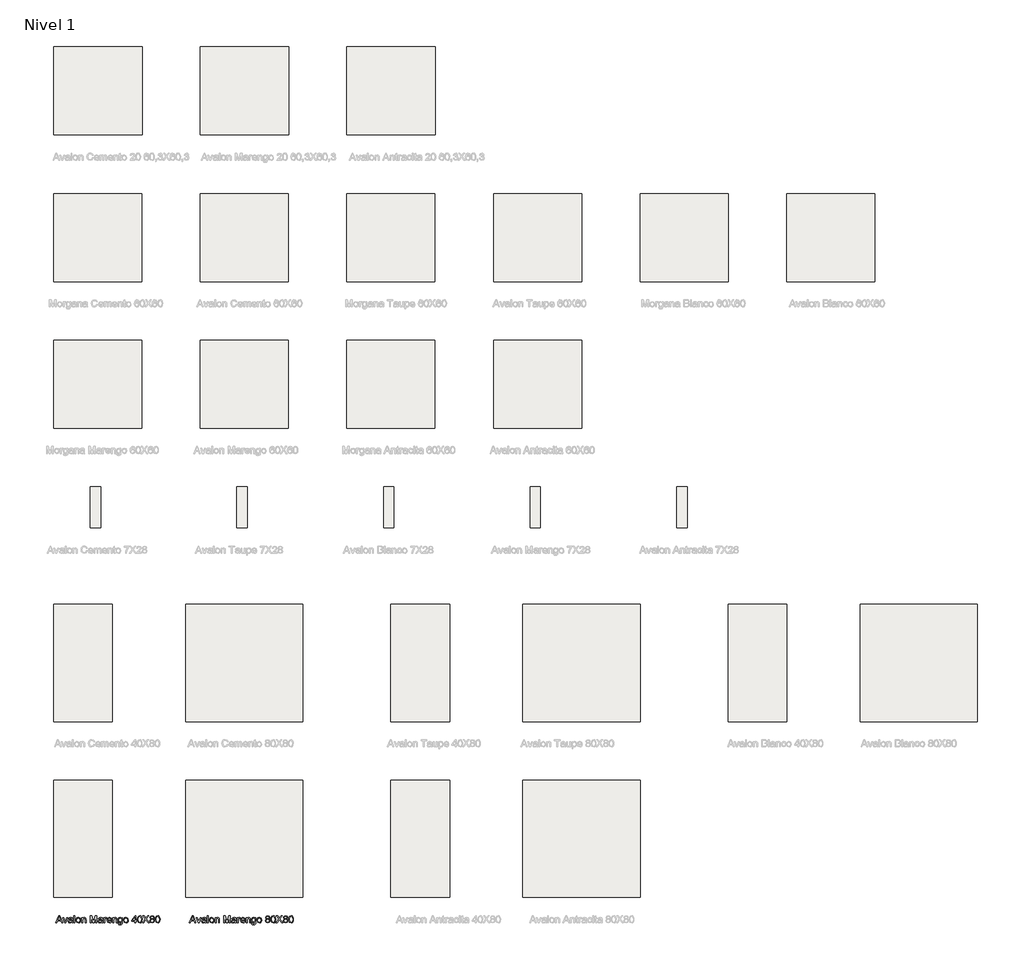
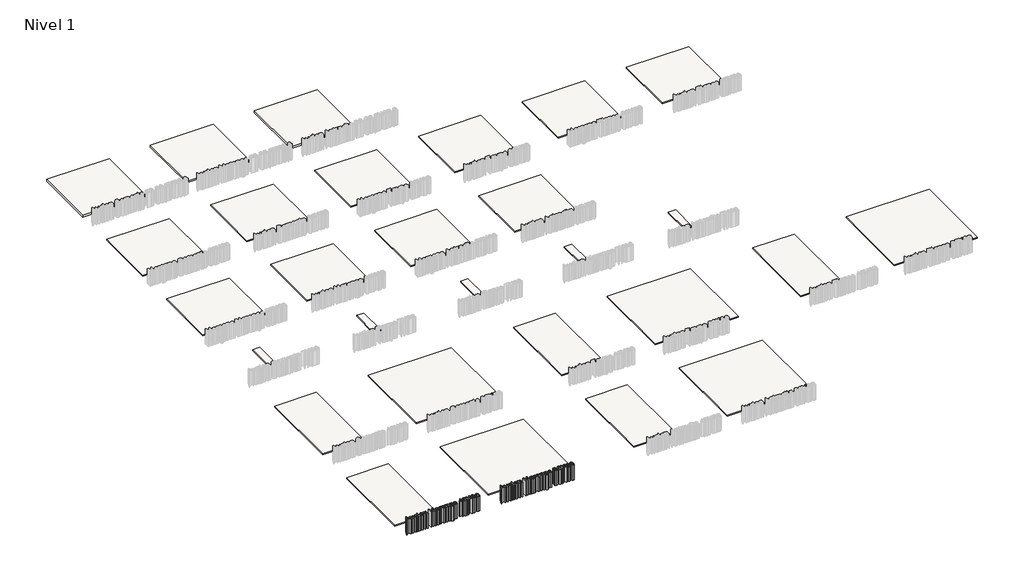
# One storey, part 1 of 11: 28 slabs, 2 proxies.
"""IFC4 building model written with IfcOpenShell, lengths in millimetres."""

import ifcopenshell
import ifcopenshell.guid

model = None  # the IFC model being written
_history = None  # IfcOwnerHistory: only IFC2X3 demands one
_inside = {}  # id of a spatial element -> (the spatial element, [elements in it])
_under = {}  # id of a project, library or spatial element -> (it, [spatial elements below it])
_declared = {}  # id of a project -> (the project, [libraries it declares])
_typed = {}  # id of a type object -> (the type object, [elements of that type])
_made_of = {}  # id of a material, layer set ... -> (it, [elements and type objects made of it])


def new_model(schema):
    """Start an empty IFC model of exactly this schema.

    Asked for "IFC4X3", IfcOpenShell would pick the latest addendum, in which some entities
    have other attributes; the version numbers below select the first issue.
    IFC2X3 requires an IfcOwnerHistory on every rooted entity: one is made here for all.
    """
    global model, _history
    if schema == "IFC4X3":
        model = ifcopenshell.file(schema_version=(4, 3, 0, 0))
    else:
        model = ifcopenshell.file(schema=schema)
    _inside.clear()
    _under.clear()
    _declared.clear()
    _typed.clear()
    _made_of.clear()
    _history = None
    if model.schema == "IFC2X3":
        org = make("IfcOrganization", Name="unknown")
        user = make(
            "IfcPersonAndOrganization",
            ThePerson=make("IfcPerson", FamilyName="unknown"),
            TheOrganization=org,
        )
        app = make(
            "IfcApplication",
            ApplicationDeveloper=org,
            Version="unknown",
            ApplicationFullName="unknown",
            ApplicationIdentifier="unknown",
        )
        _history = make(
            "IfcOwnerHistory",
            OwningUser=user,
            OwningApplication=app,
            ChangeAction="ADDED",
            CreationDate=0,
        )
    return model


def make(cls, **values):
    """One entity of the class cls with the attributes given. An attribute that is None is left unset."""
    return model.create_entity(
        cls, **{name: value for name, value in values.items() if value is not None}
    )


def rooted(cls, **values):
    """An entity with a GlobalId (a new one), such as an element, a storey or a relation."""
    return make(cls, GlobalId=ifcopenshell.guid.new(), OwnerHistory=_history, **values)


def si_unit(unit_type, name, prefix=None):
    """IfcSIUnit, for example si_unit("LENGTHUNIT", "METRE", prefix="MILLI")."""
    return make("IfcSIUnit", UnitType=unit_type, Prefix=prefix, Name=name)


def assignment(units):
    """IfcUnitAssignment: the units of a project."""
    return None if units is None else make("IfcUnitAssignment", Units=units)


def point(xyz):
    """IfcCartesianPoint."""
    return None if xyz is None else make("IfcCartesianPoint", Coordinates=xyz)


def direction(xyz):
    """IfcDirection."""
    return None if xyz is None else make("IfcDirection", DirectionRatios=xyz)


def frame(location, z_axis=None, x_axis=None):
    """IfcAxis2Placement3D, a coordinate frame: its origin and axes. An axis left out is left unset."""
    return make(
        "IfcAxis2Placement3D",
        Location=point(location),
        Axis=direction(z_axis),
        RefDirection=direction(x_axis),
    )


def origin():
    """The frame at (0, 0, 0) with its axes left unset."""
    return frame((0.0, 0.0, 0.0))


def origin_with_axes():
    """The frame at (0, 0, 0) with the z axis (0, 0, 1) and the x axis (1, 0, 0) written out."""
    return frame((0.0, 0.0, 0.0), z_axis=(0.0, 0.0, 1.0), x_axis=(1.0, 0.0, 0.0))


def place(relative_to, where):
    """IfcLocalPlacement: puts the frame where relative to a parent placement (None: the world)."""
    return make(
        "IfcLocalPlacement", PlacementRelTo=relative_to, RelativePlacement=where
    )


def context(
    kind, dimensions, precision=None, world=None, true_north=None, identifier=None
):
    """IfcGeometricRepresentationContext, for example the 3D "Model" context."""
    return make(
        "IfcGeometricRepresentationContext",
        ContextIdentifier=identifier,
        ContextType=kind,
        CoordinateSpaceDimension=dimensions,
        Precision=precision,
        WorldCoordinateSystem=world,
        TrueNorth=true_north,
    )


def project(units=None, contexts=None):
    """IfcProject with its units and contexts."""
    return rooted(
        "IfcProject",
        Name="project",
        RepresentationContexts=contexts,
        UnitsInContext=assignment(units),
    )


def spatial(cls, under=None, at=None, **own):
    """A site, building, storey or space (cls), placed at a placement, below another one or the project."""
    s = rooted(cls, ObjectPlacement=at, **own)
    if under is not None:
        _under.setdefault(under.id(), (under, []))[1].append(s)
    return s


def polyline(points):
    """IfcPolyline through the points."""
    return make("IfcPolyline", Points=[point(p) for p in points])


def outline(outer, holes=None, kind="AREA"):
    """IfcArbitraryClosedProfileDef: a profile drawn as a closed curve; with holes, ...WithVoids."""
    if holes is None:
        return make("IfcArbitraryClosedProfileDef", ProfileType=kind, OuterCurve=outer)
    return make(
        "IfcArbitraryProfileDefWithVoids",
        ProfileType=kind,
        OuterCurve=outer,
        InnerCurves=holes,
    )


def extrude(swept, where, along, depth):
    """IfcExtrudedAreaSolid: the profile swept, set in the frame where, extruded along a direction by depth."""
    return make(
        "IfcExtrudedAreaSolid",
        SweptArea=swept,
        Position=where,
        ExtrudedDirection=direction(along),
        Depth=depth,
    )


def shape(context_of_items, identifier, shape_type, items):
    """IfcShapeRepresentation: the items that make up one representation, for example the "Body"."""
    return make(
        "IfcShapeRepresentation",
        ContextOfItems=context_of_items,
        RepresentationIdentifier=identifier,
        RepresentationType=shape_type,
        Items=items,
    )


def made_of(thing, what):
    """Note that an element or type object is made of a material, layer set ...; save() writes the relation."""
    if what is not None:
        _made_of.setdefault(what.id(), (what, []))[1].append(thing)
    return thing


def element(
    cls,
    number,
    at=None,
    inside=None,
    cuts=None,
    type_object=None,
    material=None,
    context=None,
    identifier="Body",
    shape_type=None,
    held_by="IfcProductDefinitionShape",
    body=None,
    shapes=None,
    **own,
):
    """One element of the class cls, such as IfcWall. Its Tag is "e" and its number.

    at: its placement. inside: the storey or other place that contains it. cuts: it is an
    opening in that element (IfcRelVoidsElement). A single representation is given by context,
    identifier, shape_type and body (its items); several are given by shapes. held_by: the class
    of the entity that holds the representations. save() writes the other relations.
    """
    e = rooted(cls, Tag="e%d" % number, ObjectPlacement=at, **own)
    if body is not None:
        shapes = [shape(context, identifier, shape_type, body)]
    if shapes is not None:
        e.Representation = make(held_by, Representations=shapes)
    if inside is not None:
        _inside.setdefault(inside.id(), (inside, []))[1].append(e)
    if cuts is not None:
        rooted(
            "IfcRelVoidsElement", RelatingBuildingElement=cuts, RelatedOpeningElement=e
        )
    if type_object is not None:
        _typed.setdefault(type_object.id(), (type_object, []))[1].append(e)
    return made_of(e, material)


def aggregate(whole, parts):
    """IfcRelAggregates: a whole, such as a stair, and the parts it consists of."""
    return rooted("IfcRelAggregates", RelatingObject=whole, RelatedObjects=parts)


def save(model, path):
    """Write the relations noted so far, then the file.

    IfcRelAggregates (storeys below a building ...), IfcRelContainedInSpatialStructure (elements
    in a storey), IfcRelDefinesByType, IfcRelAssociatesMaterial and IfcRelDeclares: one each for
    every whole, place, type object, material and project.
    """
    for whole, parts in _under.values():
        aggregate(whole, parts)
    for where, things in _inside.values():
        rooted(
            "IfcRelContainedInSpatialStructure",
            RelatedElements=things,
            RelatingStructure=where,
        )
    for kind, things in _typed.values():
        rooted("IfcRelDefinesByType", RelatedObjects=things, RelatingType=kind)
    for what, things in _made_of.values():
        rooted("IfcRelAssociatesMaterial", RelatedObjects=things, RelatingMaterial=what)
    for by, libraries in _declared.values():
        rooted("IfcRelDeclares", RelatingContext=by, RelatedDefinitions=libraries)
    model.write(path)


model = new_model("IFC4")

# Units and contexts
model_context = context("Model", 3, world=origin())
ifc_project = project(units=[si_unit("LENGTHUNIT", "METRE", prefix="MILLI")], contexts=[model_context])

# Site, building, storey
site = spatial("IfcSite", under=ifc_project)
building = spatial("IfcBuilding", under=site)
storey = spatial("IfcBuildingStorey", under=building, Name="Nivel 1", Elevation=0.0)

# Proxies
placement = place(None, origin())
element("IfcBuildingElementProxy", 1, Name="Texto de modelo 1", ObjectType="Texto de modelo 1", at=placement, inside=storey, context=model_context, shape_type="SweptSolid", body=[
    extrude(outline(polyline([(15.8341766, -5372.9229512), (35.4856189, -5323.692182), (40.7260035, -5323.692182), (60.3774458, -5372.9229512), (53.875042, -5372.9229512), (48.2380227, -5357.5383359), (27.9615804, -5357.5383359), (22.3365804, -5372.9229512), (15.8341766, -5372.9229512)]), holes=[polyline([(30.2211958, -5351.3844897), (45.9904266, -5351.3844897), (41.5553304, -5339.2811243), (38.1058112, -5329.8460282), (35.0409073, -5338.223432), (30.2211958, -5351.3844897)])]), origin_with_axes(), (0.0, 0.0, 1.0), 150.0),
    extrude(outline(polyline([(75.0529266, -5372.9229512), (62.3365804, -5336.7691051), (68.8510035, -5336.7691051), (76.5553304, -5358.4277589), (78.875042, -5365.7114128), (81.1466766, -5358.8364128), (88.8990804, -5336.7691051), (95.4135035, -5336.7691051), (82.8534073, -5372.9229512), (75.0529266, -5372.9229512)])), origin_with_axes(), (0.0, 0.0, 1.0), 150.0),
    extrude(outline(polyline([(123.875042, -5368.3075666), (117.9074939, -5372.4782397), (111.3149458, -5373.692182), (102.3786477, -5370.7715089), (99.2596573, -5363.3075666), (100.437542, -5358.4397782), (103.5324939, -5354.9061243), (107.8413881, -5352.8868936), (113.1659073, -5351.9614128), (123.8389843, -5349.8460282), (122.1803304, -5343.9325666), (115.3774458, -5342.1537205), (109.1514843, -5343.3376147), (106.1827343, -5347.5383359), (100.0288881, -5346.7691051), (102.6911477, -5340.7594897), (108.0517246, -5337.2378551), (116.170715, -5335.9998743), (123.6286477, -5337.0936243), (127.8413881, -5339.8400186), (129.7284073, -5344.0167012), (130.0288881, -5349.4013166), (130.0288881, -5357.0575666), (130.3413881, -5367.7486724), (131.5673496, -5372.9229512), (125.4135035, -5372.9229512), (123.875042, -5368.3075666)]), holes=[polyline([(123.875042, -5355.9998743), (113.9471573, -5357.8868936), (108.6526862, -5358.8844897), (106.2548496, -5360.5070859), (105.4135035, -5362.8748743), (107.2464362, -5366.2042012), (112.625042, -5367.5383359), (118.8510035, -5366.0659801), (122.8654266, -5362.5022782), (123.8389843, -5357.7426628), (123.875042, -5355.9998743)])]), origin_with_axes(), (0.0, 0.0, 1.0), 150.0),
    extrude(outline(polyline([(138.4904266, -5372.9229512), (138.4904266, -5323.692182), (144.6442727, -5323.692182), (144.6442727, -5372.9229512), (138.4904266, -5372.9229512)])), origin_with_axes(), (0.0, 0.0, 1.0), 150.0),
    extrude(outline(polyline([(152.3365804, -5354.8460282), (153.6677102, -5346.1290811), (157.6610996, -5340.0022782), (168.5024458, -5335.9998743), (180.1310516, -5340.8736724), (184.6442727, -5354.3412205), (182.6490804, -5365.2907397), (176.8377823, -5371.4866532), (168.5024458, -5373.692182), (156.8017246, -5368.8364128), (152.3365804, -5354.8460282)]), holes=[polyline([(158.4904266, -5354.8340089), (161.3389843, -5364.3712686), (168.5024458, -5367.5383359), (175.6418689, -5364.3532397), (178.4904266, -5354.6417012), (175.62384, -5345.3207878), (168.5024458, -5342.1537205), (161.3389843, -5345.3087686), (158.4904266, -5354.8340089)])]), origin_with_axes(), (0.0, 0.0, 1.0), 150.0),
    extrude(outline(polyline([(191.5673496, -5372.9229512), (191.5673496, -5336.7691051), (197.7211958, -5336.7691051), (197.7211958, -5341.817182), (202.4267246, -5337.4542012), (208.8510035, -5335.9998743), (214.6623016, -5337.1717493), (218.6286477, -5340.2486724), (220.4735996, -5344.7739128), (220.7981189, -5350.723432), (220.7981189, -5372.9229512), (214.6442727, -5372.9229512), (214.6442727, -5351.5527589), (213.9351381, -5346.1080474), (211.4291285, -5343.2294416), (207.2043689, -5342.1537205), (200.5276862, -5344.5695859), (197.7211958, -5353.7402589), (197.7211958, -5372.9229512), (191.5673496, -5372.9229512)])), origin_with_axes(), (0.0, 0.0, 1.0), 150.0),
    extrude(outline(polyline([(249.2596573, -5372.9229512), (249.2596573, -5323.692182), (259.8485996, -5323.692182), (269.920715, -5358.3917012), (271.951965, -5365.6392974), (274.1514843, -5357.7907397), (284.0553304, -5323.692182), (294.6442727, -5323.692182), (294.6442727, -5372.9229512), (288.4904266, -5372.9229512), (288.4904266, -5329.8460282), (276.1226381, -5372.9229512), (267.781292, -5372.9229512), (255.4135035, -5329.8460282), (255.4135035, -5372.9229512), (249.2596573, -5372.9229512)])), origin_with_axes(), (0.0, 0.0, 1.0), 150.0),
    extrude(outline(polyline([(327.7211958, -5368.3075666), (321.7536477, -5372.4782397), (315.1610996, -5373.692182), (306.2248016, -5370.7715089), (303.1058112, -5363.3075666), (304.2836958, -5358.4397782), (307.3786477, -5354.9061243), (311.687542, -5352.8868936), (317.0120612, -5351.9614128), (327.6851381, -5349.8460282), (326.0264843, -5343.9325666), (319.2235996, -5342.1537205), (312.9976381, -5343.3376147), (310.0288881, -5347.5383359), (303.875042, -5346.7691051), (306.5373016, -5340.7594897), (311.8978785, -5337.2378551), (320.0168689, -5335.9998743), (327.4748016, -5337.0936243), (331.687542, -5339.8400186), (333.5745612, -5344.0167012), (333.875042, -5349.4013166), (333.875042, -5357.0575666), (334.187542, -5367.7486724), (335.4135035, -5372.9229512), (329.2596573, -5372.9229512), (327.7211958, -5368.3075666)]), holes=[polyline([(327.7211958, -5355.9998743), (317.7933112, -5357.8868936), (312.49884, -5358.8844897), (310.1010035, -5360.5070859), (309.2596573, -5362.8748743), (311.09259, -5366.2042012), (316.4711958, -5367.5383359), (322.6971573, -5366.0659801), (326.7115804, -5362.5022782), (327.6851381, -5357.7426628), (327.7211958, -5355.9998743)])]), origin_with_axes(), (0.0, 0.0, 1.0), 150.0),
    extrude(outline(polyline([(342.3365804, -5372.9229512), (342.3365804, -5336.7691051), (347.7211958, -5336.7691051), (347.7211958, -5342.1176628), (351.5433112, -5337.1897782), (355.389465, -5335.9998743), (361.5673496, -5337.8989128), (359.5120612, -5343.4157397), (355.1851381, -5342.1537205), (351.7055708, -5343.3676628), (349.4880227, -5346.7330474), (348.4904266, -5353.9205474), (348.4904266, -5372.9229512), (342.3365804, -5372.9229512)])), origin_with_axes(), (0.0, 0.0, 1.0), 150.0),
    extrude(outline(polyline([(390.7260035, -5362.1537205), (396.7596573, -5362.9229512), (391.1166285, -5370.8676628), (380.6058112, -5373.692182), (367.8293689, -5368.8183839), (363.1058112, -5355.1465089), (367.8774458, -5341.0239128), (380.2572535, -5335.9998743), (392.2824939, -5341.0118936), (396.951965, -5355.1104512), (396.9159073, -5356.7691051), (369.2596573, -5356.7691051), (372.7993208, -5364.7618936), (380.7260035, -5367.5383359), (386.7596573, -5366.2522782), (390.7260035, -5362.1537205)]), holes=[polyline([(369.2596573, -5350.6152589), (390.7981189, -5350.6152589), (388.3341766, -5345.0383359), (380.233215, -5342.1537205), (372.65509, -5344.4554032), (369.2596573, -5350.6152589)])]), origin_with_axes(), (0.0, 0.0, 1.0), 150.0),
    extrude(outline(polyline([(403.1058112, -5372.9229512), (403.1058112, -5336.7691051), (409.2596573, -5336.7691051), (409.2596573, -5341.817182), (413.9651862, -5337.4542012), (420.389465, -5335.9998743), (426.2007631, -5337.1717493), (430.1671093, -5340.2486724), (432.0120612, -5344.7739128), (432.3365804, -5350.723432), (432.3365804, -5372.9229512), (426.1827343, -5372.9229512), (426.1827343, -5351.5527589), (425.4735996, -5346.1080474), (422.96759, -5343.2294416), (418.7428304, -5342.1537205), (412.0661477, -5344.5695859), (409.2596573, -5353.7402589), (409.2596573, -5372.9229512), (403.1058112, -5372.9229512)])), origin_with_axes(), (0.0, 0.0, 1.0), 150.0),
    extrude(outline(polyline([(439.2596573, -5375.9998743), (445.4135035, -5376.7691051), (447.4086958, -5380.0142974), (453.3822535, -5381.3844897), (459.6803304, -5379.8340089), (462.6851381, -5375.4830474), (463.1058112, -5368.3075666), (453.4904266, -5372.9229512), (442.4147054, -5367.5503551), (438.4904266, -5354.6657397), (440.2512439, -5345.1284801), (445.3473977, -5338.379682), (453.1899458, -5335.9998743), (463.1058112, -5341.3844897), (463.1058112, -5336.7691051), (469.2596573, -5336.7691051), (469.2596573, -5367.9830474), (467.576965, -5379.9361724), (462.2464362, -5385.4950666), (453.2620612, -5387.5383359), (443.0276862, -5384.6597301), (439.2596573, -5375.9998743)]), holes=[polyline([(444.6442727, -5354.2450666), (447.2704746, -5363.770307), (453.8630227, -5366.7691051), (460.4435516, -5363.7883359), (463.1058112, -5354.4253551), (460.3654266, -5345.2486724), (453.7668689, -5342.1537205), (447.3065323, -5345.2005955), (444.6442727, -5354.2450666)])]), origin_with_axes(), (0.0, 0.0, 1.0), 150.0),
    extrude(outline(polyline([(476.951965, -5354.8460282), (478.2830948, -5346.1290811), (482.2764843, -5340.0022782), (493.1178304, -5335.9998743), (504.7464362, -5340.8736724), (509.2596573, -5354.3412205), (507.264465, -5365.2907397), (501.453167, -5371.4866532), (493.1178304, -5373.692182), (481.4171093, -5368.8364128), (476.951965, -5354.8460282)]), holes=[polyline([(483.1058112, -5354.8340089), (485.9543689, -5364.3712686), (493.1178304, -5367.5383359), (500.2572535, -5364.3532397), (503.1058112, -5354.6417012), (500.2392246, -5345.3207878), (493.1178304, -5342.1537205), (485.9543689, -5345.3087686), (483.1058112, -5354.8340089)])]), origin_with_axes(), (0.0, 0.0, 1.0), 150.0),
    extrude(outline(polyline([(553.875042, -5372.9229512), (553.875042, -5361.3844897), (531.5673496, -5361.3844897), (531.5673496, -5355.2306436), (555.4135035, -5324.4614128), (560.0288881, -5324.4614128), (560.0288881, -5355.2306436), (566.1827343, -5355.2306436), (566.1827343, -5361.3844897), (560.0288881, -5361.3844897), (560.0288881, -5372.9229512), (553.875042, -5372.9229512)]), holes=[polyline([(553.875042, -5355.2306436), (553.875042, -5336.2162205), (539.139465, -5355.2306436), (553.875042, -5355.2306436)])]), origin_with_axes(), (0.0, 0.0, 1.0), 150.0),
    extrude(outline(polyline([(571.5673496, -5348.7042012), (573.3762439, -5334.5395378), (578.74884, -5326.3724705), (587.7211958, -5323.692182), (594.9086958, -5325.2787205), (599.8726381, -5329.8520378), (602.7572535, -5337.1356916), (603.875042, -5348.7042012), (602.0841766, -5362.8087686), (596.7296093, -5370.9938647), (587.7211958, -5373.692182), (576.4711958, -5369.004682), (572.7933112, -5360.6783599), (571.5673496, -5348.7042012)]), holes=[polyline([(577.7211958, -5348.692182), (580.6058112, -5363.9746339), (587.7211958, -5367.5383359), (594.8365804, -5363.9626147), (597.7211958, -5348.692182), (594.9327343, -5333.5840089), (587.6490804, -5329.8460282), (580.701965, -5333.1392974), (577.7211958, -5348.692182)])]), origin_with_axes(), (0.0, 0.0, 1.0), 150.0),
    extrude(outline(polyline([(606.1827343, -5372.9229512), (625.1610996, -5346.0960282), (609.2596573, -5323.692182), (616.639465, -5323.692182), (625.593792, -5336.3003551), (628.6106189, -5341.2162205), (632.1442727, -5336.2162205), (641.0024458, -5323.692182), (648.4904266, -5323.692182), (632.5889843, -5346.1681436), (651.5673496, -5372.9229512), (644.187542, -5372.9229512), (631.5433112, -5355.0864128), (628.9110996, -5351.3844897), (626.014465, -5355.4469897), (613.670715, -5372.9229512), (606.1827343, -5372.9229512)])), origin_with_axes(), (0.0, 0.0, 1.0), 150.0),
    extrude(outline(polyline([(664.3798496, -5345.8075666), (658.7728785, -5341.9854512), (656.951965, -5336.035932), (660.9183112, -5327.2498743), (671.483215, -5323.692182), (682.1442727, -5327.3340089), (686.1827343, -5336.2042012), (684.3858593, -5342.0034801), (678.9351381, -5345.8075666), (685.4796093, -5350.6332878), (687.7211958, -5358.5960282), (683.2740804, -5369.3412205), (671.5673496, -5373.692182), (659.8606189, -5369.3231916), (655.4135035, -5358.4277589), (657.7452343, -5350.2787205), (664.3798496, -5345.8075666)]), holes=[polyline([(663.1058112, -5336.2162205), (665.2873016, -5341.0479512), (671.639465, -5342.9229512), (677.8654266, -5341.0599705), (680.0288881, -5336.4926628), (677.7933112, -5331.7630955), (671.5673496, -5329.8460282), (665.3233593, -5331.7210282), (663.1058112, -5336.2162205)]), polyline([(661.5673496, -5358.2114128), (662.5949939, -5362.8448262), (666.2308112, -5366.3123743), (671.6154266, -5367.5383359), (678.9471573, -5364.9602109), (681.5673496, -5358.4037205), (678.8630227, -5351.7210282), (671.4110996, -5349.0767974), (664.1695131, -5351.6849705), (661.5673496, -5358.2114128)])]), origin_with_axes(), (0.0, 0.0, 1.0), 150.0),
    extrude(outline(polyline([(693.1058112, -5348.7042012), (694.9147054, -5334.5395378), (700.2873016, -5326.3724705), (709.2596573, -5323.692182), (716.4471573, -5325.2787205), (721.4110996, -5329.8520378), (724.295715, -5337.1356916), (725.4135035, -5348.7042012), (723.6226381, -5362.8087686), (718.2680708, -5370.9938647), (709.2596573, -5373.692182), (698.0096573, -5369.004682), (694.3317727, -5360.6783599), (693.1058112, -5348.7042012)]), holes=[polyline([(699.2596573, -5348.692182), (702.1442727, -5363.9746339), (709.2596573, -5367.5383359), (716.375042, -5363.9626147), (719.2596573, -5348.692182), (716.4711958, -5333.5840089), (709.187542, -5329.8460282), (702.2404266, -5333.1392974), (699.2596573, -5348.692182)])]), origin_with_axes(), (0.0, 0.0, 1.0), 150.0),
])
element("IfcBuildingElementProxy", 2, Name="Texto de modelo 1", ObjectType="Texto de modelo 1", at=placement, inside=storey, context=model_context, shape_type="SweptSolid", body=[
    extrude(outline(polyline([(925.8341766, -5372.9229512), (945.4856189, -5323.692182), (950.7260035, -5323.692182), (970.3774458, -5372.9229512), (963.875042, -5372.9229512), (958.2380227, -5357.5383359), (937.9615804, -5357.5383359), (932.3365804, -5372.9229512), (925.8341766, -5372.9229512)]), holes=[polyline([(940.2211958, -5351.3844897), (955.9904266, -5351.3844897), (951.5553304, -5339.2811243), (948.1058112, -5329.8460282), (945.0409073, -5338.223432), (940.2211958, -5351.3844897)])]), origin_with_axes(), (0.0, 0.0, 1.0), 150.0),
    extrude(outline(polyline([(985.0529266, -5372.9229512), (972.3365804, -5336.7691051), (978.8510035, -5336.7691051), (986.5553304, -5358.4277589), (988.875042, -5365.7114128), (991.1466766, -5358.8364128), (998.8990804, -5336.7691051), (1005.4135035, -5336.7691051), (992.8534073, -5372.9229512), (985.0529266, -5372.9229512)])), origin_with_axes(), (0.0, 0.0, 1.0), 150.0),
    extrude(outline(polyline([(1033.875042, -5368.3075666), (1027.9074939, -5372.4782397), (1021.3149458, -5373.692182), (1012.3786477, -5370.7715089), (1009.2596573, -5363.3075666), (1010.437542, -5358.4397782), (1013.5324939, -5354.9061243), (1017.8413881, -5352.8868936), (1023.1659073, -5351.9614128), (1033.8389843, -5349.8460282), (1032.1803304, -5343.9325666), (1025.3774458, -5342.1537205), (1019.1514843, -5343.3376147), (1016.1827343, -5347.5383359), (1010.0288881, -5346.7691051), (1012.6911477, -5340.7594897), (1018.0517246, -5337.2378551), (1026.170715, -5335.9998743), (1033.6286477, -5337.0936243), (1037.8413881, -5339.8400186), (1039.7284073, -5344.0167012), (1040.0288881, -5349.4013166), (1040.0288881, -5357.0575666), (1040.3413881, -5367.7486724), (1041.5673496, -5372.9229512), (1035.4135035, -5372.9229512), (1033.875042, -5368.3075666)]), holes=[polyline([(1033.875042, -5355.9998743), (1023.9471573, -5357.8868936), (1018.6526862, -5358.8844897), (1016.2548496, -5360.5070859), (1015.4135035, -5362.8748743), (1017.2464362, -5366.2042012), (1022.625042, -5367.5383359), (1028.8510035, -5366.0659801), (1032.8654266, -5362.5022782), (1033.8389843, -5357.7426628), (1033.875042, -5355.9998743)])]), origin_with_axes(), (0.0, 0.0, 1.0), 150.0),
    extrude(outline(polyline([(1048.4904266, -5372.9229512), (1048.4904266, -5323.692182), (1054.6442727, -5323.692182), (1054.6442727, -5372.9229512), (1048.4904266, -5372.9229512)])), origin_with_axes(), (0.0, 0.0, 1.0), 150.0),
    extrude(outline(polyline([(1062.3365804, -5354.8460282), (1063.6677102, -5346.1290811), (1067.6610996, -5340.0022782), (1078.5024458, -5335.9998743), (1090.1310516, -5340.8736724), (1094.6442727, -5354.3412205), (1092.6490804, -5365.2907397), (1086.8377823, -5371.4866532), (1078.5024458, -5373.692182), (1066.8017246, -5368.8364128), (1062.3365804, -5354.8460282)]), holes=[polyline([(1068.4904266, -5354.8340089), (1071.3389843, -5364.3712686), (1078.5024458, -5367.5383359), (1085.6418689, -5364.3532397), (1088.4904266, -5354.6417012), (1085.62384, -5345.3207878), (1078.5024458, -5342.1537205), (1071.3389843, -5345.3087686), (1068.4904266, -5354.8340089)])]), origin_with_axes(), (0.0, 0.0, 1.0), 150.0),
    extrude(outline(polyline([(1101.5673496, -5372.9229512), (1101.5673496, -5336.7691051), (1107.7211958, -5336.7691051), (1107.7211958, -5341.817182), (1112.4267246, -5337.4542012), (1118.8510035, -5335.9998743), (1124.6623016, -5337.1717493), (1128.6286477, -5340.2486724), (1130.4735996, -5344.7739128), (1130.7981189, -5350.723432), (1130.7981189, -5372.9229512), (1124.6442727, -5372.9229512), (1124.6442727, -5351.5527589), (1123.9351381, -5346.1080474), (1121.4291285, -5343.2294416), (1117.2043689, -5342.1537205), (1110.5276862, -5344.5695859), (1107.7211958, -5353.7402589), (1107.7211958, -5372.9229512), (1101.5673496, -5372.9229512)])), origin_with_axes(), (0.0, 0.0, 1.0), 150.0),
    extrude(outline(polyline([(1159.2596573, -5372.9229512), (1159.2596573, -5323.692182), (1169.8485996, -5323.692182), (1179.920715, -5358.3917012), (1181.951965, -5365.6392974), (1184.1514843, -5357.7907397), (1194.0553304, -5323.692182), (1204.6442727, -5323.692182), (1204.6442727, -5372.9229512), (1198.4904266, -5372.9229512), (1198.4904266, -5329.8460282), (1186.1226381, -5372.9229512), (1177.781292, -5372.9229512), (1165.4135035, -5329.8460282), (1165.4135035, -5372.9229512), (1159.2596573, -5372.9229512)])), origin_with_axes(), (0.0, 0.0, 1.0), 150.0),
    extrude(outline(polyline([(1237.7211958, -5368.3075666), (1231.7536477, -5372.4782397), (1225.1610996, -5373.692182), (1216.2248016, -5370.7715089), (1213.1058112, -5363.3075666), (1214.2836958, -5358.4397782), (1217.3786477, -5354.9061243), (1221.687542, -5352.8868936), (1227.0120612, -5351.9614128), (1237.6851381, -5349.8460282), (1236.0264843, -5343.9325666), (1229.2235996, -5342.1537205), (1222.9976381, -5343.3376147), (1220.0288881, -5347.5383359), (1213.875042, -5346.7691051), (1216.5373016, -5340.7594897), (1221.8978785, -5337.2378551), (1230.0168689, -5335.9998743), (1237.4748016, -5337.0936243), (1241.687542, -5339.8400186), (1243.5745612, -5344.0167012), (1243.875042, -5349.4013166), (1243.875042, -5357.0575666), (1244.187542, -5367.7486724), (1245.4135035, -5372.9229512), (1239.2596573, -5372.9229512), (1237.7211958, -5368.3075666)]), holes=[polyline([(1237.7211958, -5355.9998743), (1227.7933112, -5357.8868936), (1222.49884, -5358.8844897), (1220.1010035, -5360.5070859), (1219.2596573, -5362.8748743), (1221.09259, -5366.2042012), (1226.4711958, -5367.5383359), (1232.6971573, -5366.0659801), (1236.7115804, -5362.5022782), (1237.6851381, -5357.7426628), (1237.7211958, -5355.9998743)])]), origin_with_axes(), (0.0, 0.0, 1.0), 150.0),
    extrude(outline(polyline([(1252.3365804, -5372.9229512), (1252.3365804, -5336.7691051), (1257.7211958, -5336.7691051), (1257.7211958, -5342.1176628), (1261.5433112, -5337.1897782), (1265.389465, -5335.9998743), (1271.5673496, -5337.8989128), (1269.5120612, -5343.4157397), (1265.1851381, -5342.1537205), (1261.7055708, -5343.3676628), (1259.4880227, -5346.7330474), (1258.4904266, -5353.9205474), (1258.4904266, -5372.9229512), (1252.3365804, -5372.9229512)])), origin_with_axes(), (0.0, 0.0, 1.0), 150.0),
    extrude(outline(polyline([(1300.7260035, -5362.1537205), (1306.7596573, -5362.9229512), (1301.1166285, -5370.8676628), (1290.6058112, -5373.692182), (1277.8293689, -5368.8183839), (1273.1058112, -5355.1465089), (1277.8774458, -5341.0239128), (1290.2572535, -5335.9998743), (1302.2824939, -5341.0118936), (1306.951965, -5355.1104512), (1306.9159073, -5356.7691051), (1279.2596573, -5356.7691051), (1282.7993208, -5364.7618936), (1290.7260035, -5367.5383359), (1296.7596573, -5366.2522782), (1300.7260035, -5362.1537205)]), holes=[polyline([(1279.2596573, -5350.6152589), (1300.7981189, -5350.6152589), (1298.3341766, -5345.0383359), (1290.233215, -5342.1537205), (1282.65509, -5344.4554032), (1279.2596573, -5350.6152589)])]), origin_with_axes(), (0.0, 0.0, 1.0), 150.0),
    extrude(outline(polyline([(1313.1058112, -5372.9229512), (1313.1058112, -5336.7691051), (1319.2596573, -5336.7691051), (1319.2596573, -5341.817182), (1323.9651862, -5337.4542012), (1330.389465, -5335.9998743), (1336.2007631, -5337.1717493), (1340.1671093, -5340.2486724), (1342.0120612, -5344.7739128), (1342.3365804, -5350.723432), (1342.3365804, -5372.9229512), (1336.1827343, -5372.9229512), (1336.1827343, -5351.5527589), (1335.4735996, -5346.1080474), (1332.96759, -5343.2294416), (1328.7428304, -5342.1537205), (1322.0661477, -5344.5695859), (1319.2596573, -5353.7402589), (1319.2596573, -5372.9229512), (1313.1058112, -5372.9229512)])), origin_with_axes(), (0.0, 0.0, 1.0), 150.0),
    extrude(outline(polyline([(1349.2596573, -5375.9998743), (1355.4135035, -5376.7691051), (1357.4086958, -5380.0142974), (1363.3822535, -5381.3844897), (1369.6803304, -5379.8340089), (1372.6851381, -5375.4830474), (1373.1058112, -5368.3075666), (1363.4904266, -5372.9229512), (1352.4147054, -5367.5503551), (1348.4904266, -5354.6657397), (1350.2512439, -5345.1284801), (1355.3473977, -5338.379682), (1363.1899458, -5335.9998743), (1373.1058112, -5341.3844897), (1373.1058112, -5336.7691051), (1379.2596573, -5336.7691051), (1379.2596573, -5367.9830474), (1377.576965, -5379.9361724), (1372.2464362, -5385.4950666), (1363.2620612, -5387.5383359), (1353.0276862, -5384.6597301), (1349.2596573, -5375.9998743)]), holes=[polyline([(1354.6442727, -5354.2450666), (1357.2704746, -5363.770307), (1363.8630227, -5366.7691051), (1370.4435516, -5363.7883359), (1373.1058112, -5354.4253551), (1370.3654266, -5345.2486724), (1363.7668689, -5342.1537205), (1357.3065323, -5345.2005955), (1354.6442727, -5354.2450666)])]), origin_with_axes(), (0.0, 0.0, 1.0), 150.0),
    extrude(outline(polyline([(1386.951965, -5354.8460282), (1388.2830948, -5346.1290811), (1392.2764843, -5340.0022782), (1403.1178304, -5335.9998743), (1414.7464362, -5340.8736724), (1419.2596573, -5354.3412205), (1417.264465, -5365.2907397), (1411.453167, -5371.4866532), (1403.1178304, -5373.692182), (1391.4171093, -5368.8364128), (1386.951965, -5354.8460282)]), holes=[polyline([(1393.1058112, -5354.8340089), (1395.9543689, -5364.3712686), (1403.1178304, -5367.5383359), (1410.2572535, -5364.3532397), (1413.1058112, -5354.6417012), (1410.2392246, -5345.3207878), (1403.1178304, -5342.1537205), (1395.9543689, -5345.3087686), (1393.1058112, -5354.8340089)])]), origin_with_axes(), (0.0, 0.0, 1.0), 150.0),
    extrude(outline(polyline([(1452.8413881, -5345.8075666), (1447.234417, -5341.9854512), (1445.4135035, -5336.035932), (1449.3798496, -5327.2498743), (1459.9447535, -5323.692182), (1470.6058112, -5327.3340089), (1474.6442727, -5336.2042012), (1472.8473977, -5342.0034801), (1467.3966766, -5345.8075666), (1473.9411477, -5350.6332878), (1476.1827343, -5358.5960282), (1471.7356189, -5369.3412205), (1460.0288881, -5373.692182), (1448.3221573, -5369.3231916), (1443.875042, -5358.4277589), (1446.2067727, -5350.2787205), (1452.8413881, -5345.8075666)]), holes=[polyline([(1451.5673496, -5336.2162205), (1453.74884, -5341.0479512), (1460.1010035, -5342.9229512), (1466.326965, -5341.0599705), (1468.4904266, -5336.4926628), (1466.2548496, -5331.7630955), (1460.0288881, -5329.8460282), (1453.7848977, -5331.7210282), (1451.5673496, -5336.2162205)]), polyline([(1450.0288881, -5358.2114128), (1451.0565323, -5362.8448262), (1454.6923496, -5366.3123743), (1460.076965, -5367.5383359), (1467.4086958, -5364.9602109), (1470.0288881, -5358.4037205), (1467.3245612, -5351.7210282), (1459.8726381, -5349.0767974), (1452.6310516, -5351.6849705), (1450.0288881, -5358.2114128)])]), origin_with_axes(), (0.0, 0.0, 1.0), 150.0),
    extrude(outline(polyline([(1481.5673496, -5348.7042012), (1483.3762439, -5334.5395378), (1488.74884, -5326.3724705), (1497.7211958, -5323.692182), (1504.9086958, -5325.2787205), (1509.8726381, -5329.8520378), (1512.7572535, -5337.1356916), (1513.875042, -5348.7042012), (1512.0841766, -5362.8087686), (1506.7296093, -5370.9938647), (1497.7211958, -5373.692182), (1486.4711958, -5369.004682), (1482.7933112, -5360.6783599), (1481.5673496, -5348.7042012)]), holes=[polyline([(1487.7211958, -5348.692182), (1490.6058112, -5363.9746339), (1497.7211958, -5367.5383359), (1504.8365804, -5363.9626147), (1507.7211958, -5348.692182), (1504.9327343, -5333.5840089), (1497.6490804, -5329.8460282), (1490.701965, -5333.1392974), (1487.7211958, -5348.692182)])]), origin_with_axes(), (0.0, 0.0, 1.0), 150.0),
    extrude(outline(polyline([(1516.1827343, -5372.9229512), (1535.1610996, -5346.0960282), (1519.2596573, -5323.692182), (1526.639465, -5323.692182), (1535.593792, -5336.3003551), (1538.6106189, -5341.2162205), (1542.1442727, -5336.2162205), (1551.0024458, -5323.692182), (1558.4904266, -5323.692182), (1542.5889843, -5346.1681436), (1561.5673496, -5372.9229512), (1554.187542, -5372.9229512), (1541.5433112, -5355.0864128), (1538.9110996, -5351.3844897), (1536.014465, -5355.4469897), (1523.670715, -5372.9229512), (1516.1827343, -5372.9229512)])), origin_with_axes(), (0.0, 0.0, 1.0), 150.0),
    extrude(outline(polyline([(1574.3798496, -5345.8075666), (1568.7728785, -5341.9854512), (1566.951965, -5336.035932), (1570.9183112, -5327.2498743), (1581.483215, -5323.692182), (1592.1442727, -5327.3340089), (1596.1827343, -5336.2042012), (1594.3858593, -5342.0034801), (1588.9351381, -5345.8075666), (1595.4796093, -5350.6332878), (1597.7211958, -5358.5960282), (1593.2740804, -5369.3412205), (1581.5673496, -5373.692182), (1569.8606189, -5369.3231916), (1565.4135035, -5358.4277589), (1567.7452343, -5350.2787205), (1574.3798496, -5345.8075666)]), holes=[polyline([(1573.1058112, -5336.2162205), (1575.2873016, -5341.0479512), (1581.639465, -5342.9229512), (1587.8654266, -5341.0599705), (1590.0288881, -5336.4926628), (1587.7933112, -5331.7630955), (1581.5673496, -5329.8460282), (1575.3233593, -5331.7210282), (1573.1058112, -5336.2162205)]), polyline([(1571.5673496, -5358.2114128), (1572.5949939, -5362.8448262), (1576.2308112, -5366.3123743), (1581.6154266, -5367.5383359), (1588.9471573, -5364.9602109), (1591.5673496, -5358.4037205), (1588.8630227, -5351.7210282), (1581.4110996, -5349.0767974), (1574.1695131, -5351.6849705), (1571.5673496, -5358.2114128)])]), origin_with_axes(), (0.0, 0.0, 1.0), 150.0),
    extrude(outline(polyline([(1603.1058112, -5348.7042012), (1604.9147054, -5334.5395378), (1610.2873016, -5326.3724705), (1619.2596573, -5323.692182), (1626.4471573, -5325.2787205), (1631.4110996, -5329.8520378), (1634.295715, -5337.1356916), (1635.4135035, -5348.7042012), (1633.6226381, -5362.8087686), (1628.2680708, -5370.9938647), (1619.2596573, -5373.692182), (1608.0096573, -5369.004682), (1604.3317727, -5360.6783599), (1603.1058112, -5348.7042012)]), holes=[polyline([(1609.2596573, -5348.692182), (1612.1442727, -5363.9746339), (1619.2596573, -5367.5383359), (1626.375042, -5363.9626147), (1629.2596573, -5348.692182), (1626.4711958, -5333.5840089), (1619.187542, -5329.8460282), (1612.2404266, -5333.1392974), (1609.2596573, -5348.692182)])]), origin_with_axes(), (0.0, 0.0, 1.0), 150.0),
])

# Slabs
element("IfcSlab", 3, at=placement, inside=storey, context=model_context, shape_type="SweptSolid", body=[
    extrude(outline(polyline([(0.0, 603.0), (603.0, 603.0), (603.0, 0.0), (0.0, 0.0), (0.0, 603.0)])), frame((0.0, 0.0, -20.0), z_axis=(0.0, 0.0, 1.0), x_axis=(1.0, 0.0, 0.0)), (0.0, 0.0, 1.0), 20.0),
])
element("IfcSlab", 4, at=placement, inside=storey, context=model_context, shape_type="SweptSolid", body=[
    extrude(outline(polyline([(1000.0, 603.0), (1603.0, 603.0), (1603.0, 0.0), (1000.0, 0.0), (1000.0, 603.0)])), frame((0.0, 0.0, -20.0), z_axis=(0.0, 0.0, 1.0), x_axis=(1.0, 0.0, 0.0)), (0.0, 0.0, 1.0), 20.0),
])
element("IfcSlab", 5, at=placement, inside=storey, context=model_context, shape_type="SweptSolid", body=[
    extrude(outline(polyline([(2000.0, 603.0), (2603.0, 603.0), (2603.0, 0.0), (2000.0, 0.0), (2000.0, 603.0)])), frame((0.0, 0.0, -20.0), z_axis=(0.0, 0.0, 1.0), x_axis=(1.0, 0.0, 0.0)), (0.0, 0.0, 1.0), 20.0),
])
element("IfcSlab", 6, at=placement, inside=storey, context=model_context, shape_type="SweptSolid", body=[
    extrude(outline(polyline([(0.0, -400.0), (600.0, -400.0), (600.0, -1000.0), (0.0, -1000.0), (0.0, -400.0)])), frame((0.0, 0.0, -10.0), z_axis=(0.0, 0.0, 1.0), x_axis=(1.0, 0.0, 0.0)), (0.0, 0.0, 1.0), 10.0),
])
element("IfcSlab", 7, at=placement, inside=storey, context=model_context, shape_type="SweptSolid", body=[
    extrude(outline(polyline([(1000.0, -400.0), (1600.0, -400.0), (1600.0, -1000.0), (1000.0, -1000.0), (1000.0, -400.0)])), frame((0.0, 0.0, -10.0), z_axis=(0.0, 0.0, 1.0), x_axis=(1.0, 0.0, 0.0)), (0.0, 0.0, 1.0), 10.0),
])
element("IfcSlab", 8, at=placement, inside=storey, context=model_context, shape_type="SweptSolid", body=[
    extrude(outline(polyline([(2000.0, -400.0), (2600.0, -400.0), (2600.0, -1000.0), (2000.0, -1000.0), (2000.0, -400.0)])), frame((0.0, 0.0, -10.0), z_axis=(0.0, 0.0, 1.0), x_axis=(1.0, 0.0, 0.0)), (0.0, 0.0, 1.0), 10.0),
])
element("IfcSlab", 9, at=placement, inside=storey, context=model_context, shape_type="SweptSolid", body=[
    extrude(outline(polyline([(3000.0, -400.0), (3600.0, -400.0), (3600.0, -1000.0), (3000.0, -1000.0), (3000.0, -400.0)])), frame((0.0, 0.0, -10.0), z_axis=(0.0, 0.0, 1.0), x_axis=(1.0, 0.0, 0.0)), (0.0, 0.0, 1.0), 10.0),
])
element("IfcSlab", 10, at=placement, inside=storey, context=model_context, shape_type="SweptSolid", body=[
    extrude(outline(polyline([(4000.0, -400.0), (4600.0, -400.0), (4600.0, -1000.0), (4000.0, -1000.0), (4000.0, -400.0)])), frame((0.0, 0.0, -10.0), z_axis=(0.0, 0.0, 1.0), x_axis=(1.0, 0.0, 0.0)), (0.0, 0.0, 1.0), 10.0),
])
element("IfcSlab", 11, at=placement, inside=storey, context=model_context, shape_type="SweptSolid", body=[
    extrude(outline(polyline([(5000.0, -400.0), (5600.0, -400.0), (5600.0, -1000.0), (5000.0, -1000.0), (5000.0, -400.0)])), frame((0.0, 0.0, -10.0), z_axis=(0.0, 0.0, 1.0), x_axis=(1.0, 0.0, 0.0)), (0.0, 0.0, 1.0), 10.0),
])
element("IfcSlab", 12, at=placement, inside=storey, context=model_context, shape_type="SweptSolid", body=[
    extrude(outline(polyline([(0.0, -1400.0), (600.0, -1400.0), (600.0, -2000.0), (0.0, -2000.0), (0.0, -1400.0)])), frame((0.0, 0.0, -10.0), z_axis=(0.0, 0.0, 1.0), x_axis=(1.0, 0.0, 0.0)), (0.0, 0.0, 1.0), 10.0),
])
element("IfcSlab", 13, at=placement, inside=storey, context=model_context, shape_type="SweptSolid", body=[
    extrude(outline(polyline([(1000.0, -1400.0), (1600.0, -1400.0), (1600.0, -2000.0), (1000.0, -2000.0), (1000.0, -1400.0)])), frame((0.0, 0.0, -10.0), z_axis=(0.0, 0.0, 1.0), x_axis=(1.0, 0.0, 0.0)), (0.0, 0.0, 1.0), 10.0),
])
element("IfcSlab", 14, at=placement, inside=storey, context=model_context, shape_type="SweptSolid", body=[
    extrude(outline(polyline([(2000.0, -1400.0), (2600.0, -1400.0), (2600.0, -2000.0), (2000.0, -2000.0), (2000.0, -1400.0)])), frame((0.0, 0.0, -10.0), z_axis=(0.0, 0.0, 1.0), x_axis=(1.0, 0.0, 0.0)), (0.0, 0.0, 1.0), 10.0),
])
element("IfcSlab", 15, at=placement, inside=storey, context=model_context, shape_type="SweptSolid", body=[
    extrude(outline(polyline([(3000.0, -1400.0), (3600.0, -1400.0), (3600.0, -2000.0), (3000.0, -2000.0), (3000.0, -1400.0)])), frame((0.0, 0.0, -10.0), z_axis=(0.0, 0.0, 1.0), x_axis=(1.0, 0.0, 0.0)), (0.0, 0.0, 1.0), 10.0),
])
element("IfcSlab", 16, at=placement, inside=storey, context=model_context, shape_type="SweptSolid", body=[
    extrude(outline(polyline([(250.0, -2400.0), (320.0, -2400.0), (320.0, -2680.0), (250.0, -2680.0), (250.0, -2400.0)])), frame((0.0, 0.0, -10.0), z_axis=(0.0, 0.0, 1.0), x_axis=(1.0, 0.0, 0.0)), (0.0, 0.0, 1.0), 10.0),
])
element("IfcSlab", 17, at=placement, inside=storey, context=model_context, shape_type="SweptSolid", body=[
    extrude(outline(polyline([(1250.0, -2400.0), (1320.0, -2400.0), (1320.0, -2680.0), (1250.0, -2680.0), (1250.0, -2400.0)])), frame((0.0, 0.0, -10.0), z_axis=(0.0, 0.0, 1.0), x_axis=(1.0, 0.0, 0.0)), (0.0, 0.0, 1.0), 10.0),
])
element("IfcSlab", 18, at=placement, inside=storey, context=model_context, shape_type="SweptSolid", body=[
    extrude(outline(polyline([(2250.0, -2400.0), (2320.0, -2400.0), (2320.0, -2680.0), (2250.0, -2680.0), (2250.0, -2400.0)])), frame((0.0, 0.0, -10.0), z_axis=(0.0, 0.0, 1.0), x_axis=(1.0, 0.0, 0.0)), (0.0, 0.0, 1.0), 10.0),
])
element("IfcSlab", 19, at=placement, inside=storey, context=model_context, shape_type="SweptSolid", body=[
    extrude(outline(polyline([(3250.0, -2400.0), (3320.0, -2400.0), (3320.0, -2680.0), (3250.0, -2680.0), (3250.0, -2400.0)])), frame((0.0, 0.0, -10.0), z_axis=(0.0, 0.0, 1.0), x_axis=(1.0, 0.0, 0.0)), (0.0, 0.0, 1.0), 10.0),
])
element("IfcSlab", 20, at=placement, inside=storey, context=model_context, shape_type="SweptSolid", body=[
    extrude(outline(polyline([(4250.0, -2400.0), (4320.0, -2400.0), (4320.0, -2680.0), (4250.0, -2680.0), (4250.0, -2400.0)])), frame((0.0, 0.0, -10.0), z_axis=(0.0, 0.0, 1.0), x_axis=(1.0, 0.0, 0.0)), (0.0, 0.0, 1.0), 10.0),
])
element("IfcSlab", 21, at=placement, inside=storey, context=model_context, shape_type="SweptSolid", body=[
    extrude(outline(polyline([(0.0, -3200.0), (400.0, -3200.0), (400.0, -4000.0), (0.0, -4000.0), (0.0, -3200.0)])), frame((0.0, 0.0, -10.0), z_axis=(0.0, 0.0, 1.0), x_axis=(1.0, 0.0, 0.0)), (0.0, 0.0, 1.0), 10.0),
])
element("IfcSlab", 22, at=placement, inside=storey, context=model_context, shape_type="SweptSolid", body=[
    extrude(outline(polyline([(900.0, -3200.0), (1700.0, -3200.0), (1700.0, -4000.0), (900.0, -4000.0), (900.0, -3200.0)])), frame((0.0, 0.0, -10.0), z_axis=(0.0, 0.0, 1.0), x_axis=(1.0, 0.0, 0.0)), (0.0, 0.0, 1.0), 10.0),
])
element("IfcSlab", 23, at=placement, inside=storey, context=model_context, shape_type="SweptSolid", body=[
    extrude(outline(polyline([(2300.0, -3200.0), (2700.0, -3200.0), (2700.0, -4000.0), (2300.0, -4000.0), (2300.0, -3200.0)])), frame((0.0, 0.0, -10.0), z_axis=(0.0, 0.0, 1.0), x_axis=(1.0, 0.0, 0.0)), (0.0, 0.0, 1.0), 10.0),
])
element("IfcSlab", 24, at=placement, inside=storey, context=model_context, shape_type="SweptSolid", body=[
    extrude(outline(polyline([(3200.0, -3200.0), (4000.0, -3200.0), (4000.0, -4000.0), (3200.0, -4000.0), (3200.0, -3200.0)])), frame((0.0, 0.0, -10.0), z_axis=(0.0, 0.0, 1.0), x_axis=(1.0, 0.0, 0.0)), (0.0, 0.0, 1.0), 10.0),
])
element("IfcSlab", 25, at=placement, inside=storey, context=model_context, shape_type="SweptSolid", body=[
    extrude(outline(polyline([(4600.0, -3200.0), (5000.0, -3200.0), (5000.0, -4000.0), (4600.0, -4000.0), (4600.0, -3200.0)])), frame((0.0, 0.0, -10.0), z_axis=(0.0, 0.0, 1.0), x_axis=(1.0, 0.0, 0.0)), (0.0, 0.0, 1.0), 10.0),
])
element("IfcSlab", 26, at=placement, inside=storey, context=model_context, shape_type="SweptSolid", body=[
    extrude(outline(polyline([(5500.0, -3200.0), (6300.0, -3200.0), (6300.0, -4000.0), (5500.0, -4000.0), (5500.0, -3200.0)])), frame((0.0, 0.0, -10.0), z_axis=(0.0, 0.0, 1.0), x_axis=(1.0, 0.0, 0.0)), (0.0, 0.0, 1.0), 10.0),
])
element("IfcSlab", 27, at=placement, inside=storey, context=model_context, shape_type="SweptSolid", body=[
    extrude(outline(polyline([(0.0, -4400.0), (400.0, -4400.0), (400.0, -5200.0), (0.0, -5200.0), (0.0, -4400.0)])), frame((0.0, 0.0, -10.0), z_axis=(0.0, 0.0, 1.0), x_axis=(1.0, 0.0, 0.0)), (0.0, 0.0, 1.0), 10.0),
])
element("IfcSlab", 28, at=placement, inside=storey, context=model_context, shape_type="SweptSolid", body=[
    extrude(outline(polyline([(900.0, -4400.0), (1700.0, -4400.0), (1700.0, -5200.0), (900.0, -5200.0), (900.0, -4400.0)])), frame((0.0, 0.0, -10.0), z_axis=(0.0, 0.0, 1.0), x_axis=(1.0, 0.0, 0.0)), (0.0, 0.0, 1.0), 10.0),
])
element("IfcSlab", 29, at=placement, inside=storey, context=model_context, shape_type="SweptSolid", body=[
    extrude(outline(polyline([(2300.0, -4400.0), (2700.0, -4400.0), (2700.0, -5200.0), (2300.0, -5200.0), (2300.0, -4400.0)])), frame((0.0, 0.0, -10.0), z_axis=(0.0, 0.0, 1.0), x_axis=(1.0, 0.0, 0.0)), (0.0, 0.0, 1.0), 10.0),
])
element("IfcSlab", 30, at=placement, inside=storey, context=model_context, shape_type="SweptSolid", body=[
    extrude(outline(polyline([(3200.0, -4400.0), (4000.0, -4400.0), (4000.0, -5200.0), (3200.0, -5200.0), (3200.0, -4400.0)])), frame((0.0, 0.0, -10.0), z_axis=(0.0, 0.0, 1.0), x_axis=(1.0, 0.0, 0.0)), (0.0, 0.0, 1.0), 10.0),
])

save(model, "model.ifc")
